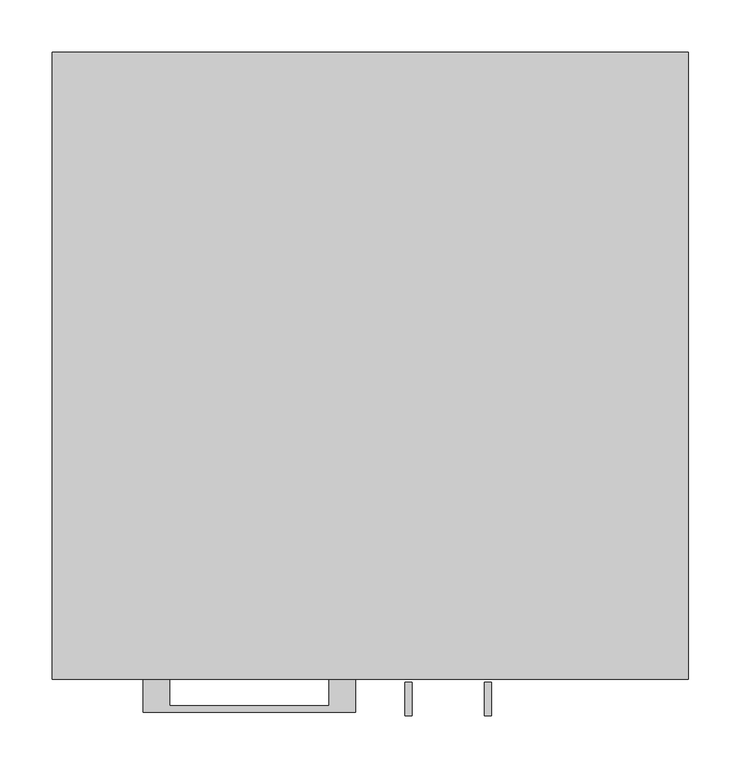
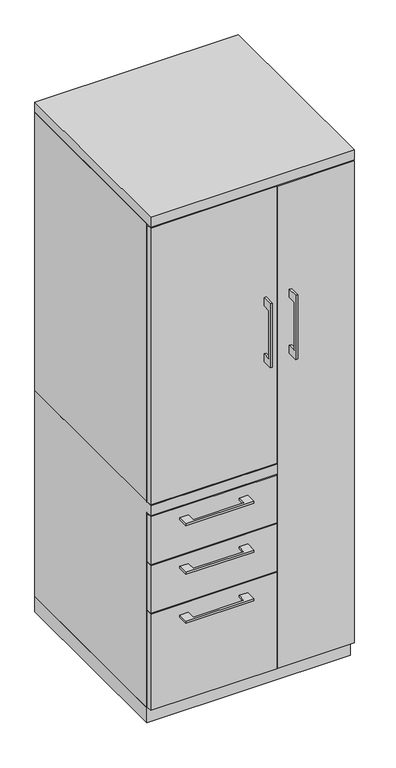
"""IFC4 building model written with IfcOpenShell, lengths in millimetres: furniture geometry."""

import ifcopenshell
import ifcopenshell.guid

model = None  # the IFC model being written
_history = None  # IfcOwnerHistory: only IFC2X3 demands one
_inside = {}  # id of a spatial element -> (the spatial element, [elements in it])
_under = {}  # id of a project, library or spatial element -> (it, [spatial elements below it])
_declared = {}  # id of a project -> (the project, [libraries it declares])
_typed = {}  # id of a type object -> (the type object, [elements of that type])
_made_of = {}  # id of a material, layer set ... -> (it, [elements and type objects made of it])


def new_model(schema):
    """Start an empty IFC model of exactly this schema.

    Asked for "IFC4X3", IfcOpenShell would pick the latest addendum, in which some entities
    have other attributes; the version numbers below select the first issue.
    IFC2X3 requires an IfcOwnerHistory on every rooted entity: one is made here for all.
    """
    global model, _history
    if schema == "IFC4X3":
        model = ifcopenshell.file(schema_version=(4, 3, 0, 0))
    else:
        model = ifcopenshell.file(schema=schema)
    _inside.clear()
    _under.clear()
    _declared.clear()
    _typed.clear()
    _made_of.clear()
    _history = None
    if model.schema == "IFC2X3":
        org = make("IfcOrganization", Name="unknown")
        user = make(
            "IfcPersonAndOrganization",
            ThePerson=make("IfcPerson", FamilyName="unknown"),
            TheOrganization=org,
        )
        app = make(
            "IfcApplication",
            ApplicationDeveloper=org,
            Version="unknown",
            ApplicationFullName="unknown",
            ApplicationIdentifier="unknown",
        )
        _history = make(
            "IfcOwnerHistory",
            OwningUser=user,
            OwningApplication=app,
            ChangeAction="ADDED",
            CreationDate=0,
        )
    return model


def make(cls, **values):
    """One entity of the class cls with the attributes given. An attribute that is None is left unset."""
    return model.create_entity(
        cls, **{name: value for name, value in values.items() if value is not None}
    )


def rooted(cls, **values):
    """An entity with a GlobalId (a new one), such as an element, a storey or a relation."""
    return make(cls, GlobalId=ifcopenshell.guid.new(), OwnerHistory=_history, **values)


def si_unit(unit_type, name, prefix=None):
    """IfcSIUnit, for example si_unit("LENGTHUNIT", "METRE", prefix="MILLI")."""
    return make("IfcSIUnit", UnitType=unit_type, Prefix=prefix, Name=name)


def assignment(units):
    """IfcUnitAssignment: the units of a project."""
    return None if units is None else make("IfcUnitAssignment", Units=units)


def point(xyz):
    """IfcCartesianPoint."""
    return None if xyz is None else make("IfcCartesianPoint", Coordinates=xyz)


def direction(xyz):
    """IfcDirection."""
    return None if xyz is None else make("IfcDirection", DirectionRatios=xyz)


def frame(location, z_axis=None, x_axis=None):
    """IfcAxis2Placement3D, a coordinate frame: its origin and axes. An axis left out is left unset."""
    return make(
        "IfcAxis2Placement3D",
        Location=point(location),
        Axis=direction(z_axis),
        RefDirection=direction(x_axis),
    )


def origin():
    """The frame at (0, 0, 0) with its axes left unset."""
    return frame((0.0, 0.0, 0.0))


def origin_with_axes():
    """The frame at (0, 0, 0) with the z axis (0, 0, 1) and the x axis (1, 0, 0) written out."""
    return frame((0.0, 0.0, 0.0), z_axis=(0.0, 0.0, 1.0), x_axis=(1.0, 0.0, 0.0))


def place(relative_to, where):
    """IfcLocalPlacement: puts the frame where relative to a parent placement (None: the world)."""
    return make(
        "IfcLocalPlacement", PlacementRelTo=relative_to, RelativePlacement=where
    )


def context(
    kind, dimensions, precision=None, world=None, true_north=None, identifier=None
):
    """IfcGeometricRepresentationContext, for example the 3D "Model" context."""
    return make(
        "IfcGeometricRepresentationContext",
        ContextIdentifier=identifier,
        ContextType=kind,
        CoordinateSpaceDimension=dimensions,
        Precision=precision,
        WorldCoordinateSystem=world,
        TrueNorth=true_north,
    )


def project(units=None, contexts=None):
    """IfcProject with its units and contexts."""
    return rooted(
        "IfcProject",
        Name="project",
        RepresentationContexts=contexts,
        UnitsInContext=assignment(units),
    )


def spatial(cls, under=None, at=None, **own):
    """A site, building, storey or space (cls), placed at a placement, below another one or the project."""
    s = rooted(cls, ObjectPlacement=at, **own)
    if under is not None:
        _under.setdefault(under.id(), (under, []))[1].append(s)
    return s


def polyline(points):
    """IfcPolyline through the points."""
    return make("IfcPolyline", Points=[point(p) for p in points])


def outline(outer, holes=None, kind="AREA"):
    """IfcArbitraryClosedProfileDef: a profile drawn as a closed curve; with holes, ...WithVoids."""
    if holes is None:
        return make("IfcArbitraryClosedProfileDef", ProfileType=kind, OuterCurve=outer)
    return make(
        "IfcArbitraryProfileDefWithVoids",
        ProfileType=kind,
        OuterCurve=outer,
        InnerCurves=holes,
    )


def extrude(swept, where, along, depth):
    """IfcExtrudedAreaSolid: the profile swept, set in the frame where, extruded along a direction by depth."""
    return make(
        "IfcExtrudedAreaSolid",
        SweptArea=swept,
        Position=where,
        ExtrudedDirection=direction(along),
        Depth=depth,
    )


def faces_of(points, faces, orient=None, outer=None):
    """IfcFace entities. A face is a list of loops; a loop is a list of indices into points, from 0.

    orient and outer hold one flag for each loop. By default every Orientation is true, the
    first loop of a face is its IfcFaceOuterBound and the others are IfcFaceBound.
    """
    made = []
    for i, loops in enumerate(faces):
        bounds = []
        for j, loop in enumerate(loops):
            is_outer = j == 0 if outer is None else outer[i][j]
            bounds.append(
                make(
                    "IfcFaceOuterBound" if is_outer else "IfcFaceBound",
                    Bound=make("IfcPolyLoop", Polygon=[points[k] for k in loop]),
                    Orientation=True if orient is None else orient[i][j],
                )
            )
        made.append(make("IfcFace", Bounds=bounds))
    return made


def faceted_brep(points, faces, orient=None, outer=None, voids=None):
    """IfcFacetedBrep: a solid bounded by flat faces; with voids (closed shells), ...WithVoids."""
    shared = [point(p) for p in points]
    hull = make("IfcClosedShell", CfsFaces=faces_of(shared, faces, orient, outer))
    if voids is None:
        return make("IfcFacetedBrep", Outer=hull)
    return make(
        "IfcFacetedBrepWithVoids",
        Outer=hull,
        Voids=[
            make(cls, CfsFaces=faces_of(shared, fs, o, b)) for cls, fs, o, b in voids
        ],
    )


def shape(context_of_items, identifier, shape_type, items):
    """IfcShapeRepresentation: the items that make up one representation, for example the "Body"."""
    return make(
        "IfcShapeRepresentation",
        ContextOfItems=context_of_items,
        RepresentationIdentifier=identifier,
        RepresentationType=shape_type,
        Items=items,
    )


def source(mapping_origin, context_of_items, identifier, shape_type, items):
    """IfcRepresentationMap: a shape defined once, which mapped items show again and again."""
    return make(
        "IfcRepresentationMap",
        MappingOrigin=mapping_origin,
        MappedRepresentation=shape(context_of_items, identifier, shape_type, items),
    )


def transform(
    local_origin,
    x_axis=None,
    y_axis=None,
    z_axis=None,
    scale=None,
    scale2=None,
    scale3=None,
    uniform=True,
):
    """IfcCartesianTransformationOperator3D, or its non-uniform kind. x_axis, y_axis, z_axis: its Axis1, 2, 3."""
    if uniform:
        return make(
            "IfcCartesianTransformationOperator3D",
            Axis1=direction(x_axis),
            Axis2=direction(y_axis),
            LocalOrigin=point(local_origin),
            Scale=scale,
            Axis3=direction(z_axis),
        )
    return make(
        "IfcCartesianTransformationOperator3DnonUniform",
        Axis1=direction(x_axis),
        Axis2=direction(y_axis),
        LocalOrigin=point(local_origin),
        Scale=scale,
        Axis3=direction(z_axis),
        Scale2=scale2,
        Scale3=scale3,
    )


def mapped(mapping_source, mapping_target):
    """IfcMappedItem: shows the shape of a source again, moved by a transform."""
    return make(
        "IfcMappedItem", MappingSource=mapping_source, MappingTarget=mapping_target
    )


def made_of(thing, what):
    """Note that an element or type object is made of a material, layer set ...; save() writes the relation."""
    if what is not None:
        _made_of.setdefault(what.id(), (what, []))[1].append(thing)
    return thing


def element(
    cls,
    number,
    at=None,
    inside=None,
    cuts=None,
    type_object=None,
    material=None,
    context=None,
    identifier="Body",
    shape_type=None,
    held_by="IfcProductDefinitionShape",
    body=None,
    shapes=None,
    **own,
):
    """One element of the class cls, such as IfcWall. Its Tag is "e" and its number.

    at: its placement. inside: the storey or other place that contains it. cuts: it is an
    opening in that element (IfcRelVoidsElement). A single representation is given by context,
    identifier, shape_type and body (its items); several are given by shapes. held_by: the class
    of the entity that holds the representations. save() writes the other relations.
    """
    e = rooted(cls, Tag="e%d" % number, ObjectPlacement=at, **own)
    if body is not None:
        shapes = [shape(context, identifier, shape_type, body)]
    if shapes is not None:
        e.Representation = make(held_by, Representations=shapes)
    if inside is not None:
        _inside.setdefault(inside.id(), (inside, []))[1].append(e)
    if cuts is not None:
        rooted(
            "IfcRelVoidsElement", RelatingBuildingElement=cuts, RelatedOpeningElement=e
        )
    if type_object is not None:
        _typed.setdefault(type_object.id(), (type_object, []))[1].append(e)
    return made_of(e, material)


def aggregate(whole, parts):
    """IfcRelAggregates: a whole, such as a stair, and the parts it consists of."""
    return rooted("IfcRelAggregates", RelatingObject=whole, RelatedObjects=parts)


def save(model, path):
    """Write the relations noted so far, then the file.

    IfcRelAggregates (storeys below a building ...), IfcRelContainedInSpatialStructure (elements
    in a storey), IfcRelDefinesByType, IfcRelAssociatesMaterial and IfcRelDeclares: one each for
    every whole, place, type object, material and project.
    """
    for whole, parts in _under.values():
        aggregate(whole, parts)
    for where, things in _inside.values():
        rooted(
            "IfcRelContainedInSpatialStructure",
            RelatedElements=things,
            RelatingStructure=where,
        )
    for kind, things in _typed.values():
        rooted("IfcRelDefinesByType", RelatedObjects=things, RelatingType=kind)
    for what, things in _made_of.values():
        rooted("IfcRelAssociatesMaterial", RelatedObjects=things, RelatingMaterial=what)
    for by, libraries in _declared.values():
        rooted("IfcRelDeclares", RelatingContext=by, RelatedDefinitions=libraries)
    model.write(path)


def furniture_66533232(model_context):
    return source(origin(), model_context, "Body", "SolidModel", [
        extrude(outline(polyline([(-192.0874818, -600.075), (-192.0874818, -625.4749758), (-39.6875, -625.4749758), (-39.6875, -600.075), (-14.2875061, -600.075), (-14.2875061, -631.8249879), (-217.4874939, -631.8249879), (-217.4874939, -600.075), (-192.0874818, -600.075)])), frame((0.0, 0.0, 623.8875506), z_axis=(0.0, 0.0, 1.0), x_axis=(1.0, 0.0, 0.0)), (0.0, 0.0, 1.0), 6.3499758),
        extrude(outline(polyline([(73.025, -581.025), (73.025, -600.075), (-304.8, -600.075), (-304.8, -581.025), (73.025, -581.025)])), frame((0.0, 0.0, 512.7625), z_axis=(0.0, 0.0, 1.0), x_axis=(1.0, 0.0, 0.0)), (0.0, 0.0, 1.0), 150.8125),
        extrude(outline(polyline([(-603.25, 1216.025), (-628.6499758, 1216.025), (-628.6499758, 1063.625), (-603.25, 1063.625), (-603.25, 1038.225), (-634.9999879, 1038.225), (-634.9999879, 1241.425), (-603.25, 1241.425), (-603.25, 1216.025)])), frame((33.3375121, 0.0, 0.0), z_axis=(1.0, 0.0, 0.0), x_axis=(0.0, 1.0, 0.0)), (0.0, 0.0, 1.0), 6.3499758),
        extrude(outline(polyline([(-304.8, -600.075), (-304.8, -581.025), (73.025, -581.025), (73.025, -600.075), (-304.8, -600.075)])), frame((0.0, 0.0, 701.675), z_axis=(0.0, 0.0, 1.0), x_axis=(1.0, 0.0, 0.0)), (0.0, 0.0, 1.0), 876.3),
        extrude(outline(polyline([(-192.0874818, -600.075), (-192.0874818, -625.4749758), (-39.6875, -625.4749758), (-39.6875, -600.075), (-14.2875061, -600.075), (-14.2875061, -631.8249879), (-217.4874939, -631.8249879), (-217.4874939, -600.075), (-192.0874818, -600.075)])), frame((0.0, 0.0, 469.9000506), z_axis=(0.0, 0.0, 1.0), x_axis=(1.0, 0.0, 0.0)), (0.0, 0.0, 1.0), 6.3499758),
        extrude(outline(polyline([(73.025, -581.025), (73.025, -600.075), (-304.8, -600.075), (-304.8, -581.025), (73.025, -581.025)])), frame((0.0, 0.0, 358.775), z_axis=(0.0, 0.0, 1.0), x_axis=(1.0, 0.0, 0.0)), (0.0, 0.0, 1.0), 150.8125),
        extrude(outline(polyline([(-603.25, 1216.025), (-628.6499758, 1216.025), (-628.6499758, 1063.625), (-603.25, 1063.625), (-603.25, 1038.225), (-634.9999879, 1038.225), (-634.9999879, 1241.425), (-603.25, 1241.425), (-603.25, 1216.025)])), frame((109.5375121, 0.0, 0.0), z_axis=(1.0, 0.0, 0.0), x_axis=(0.0, 1.0, 0.0)), (0.0, 0.0, 1.0), 6.3499758),
        extrude(outline(polyline([(304.8, -600.075), (76.2, -600.075), (76.2, -581.025), (304.8, -581.025), (304.8, -600.075)])), frame((0.0, 0.0, 50.8), z_axis=(0.0, 0.0, 1.0), x_axis=(1.0, 0.0, 0.0)), (0.0, 0.0, 1.0), 1527.175),
        extrude(outline(polyline([(-192.0874818, -600.075), (-192.0874818, -625.4749758), (-39.6875, -625.4749758), (-39.6875, -600.075), (-14.2875061, -600.075), (-14.2875061, -631.8249879), (-217.4874939, -631.8249879), (-217.4874939, -600.075), (-192.0874818, -600.075)])), frame((0.0, 0.0, 315.9125506), z_axis=(0.0, 0.0, 1.0), x_axis=(1.0, 0.0, 0.0)), (0.0, 0.0, 1.0), 6.3499758),
        extrude(outline(polyline([(73.025, -581.025), (73.025, -600.075), (-304.8, -600.075), (-304.8, -581.025), (73.025, -581.025)])), frame((0.0, 0.0, 50.8), z_axis=(0.0, 0.0, 1.0), x_axis=(1.0, 0.0, 0.0)), (0.0, 0.0, 1.0), 304.8),
        faceted_brep([(-304.8, -581.025, 47.625), (-304.8, 0.0, 47.625), (76.2, 0.0, 47.625), (76.2, -581.025, 47.625), (-304.8, 0.0, 698.5), (76.2, 0.0, 698.5), (-304.8, -581.025, 666.75), (-304.8, -600.075, 666.75), (-304.8, -600.075, 698.5), (76.2, -581.025, 666.75), (57.15, -581.025, 666.75), (76.2, -581.025, 1581.15), (57.15, -581.025, 1581.15), (57.15, -581.025, 698.5), (76.2, -581.025, 698.5), (76.2, -19.05, 698.5), (76.2, -19.05, 1581.15), (76.2, -600.075, 698.5), (76.2, -600.075, 666.75), (57.15, -19.05, 1581.15), (57.15, -19.05, 698.5)], [[[0, 1, 2, 3]], [[2, 1, 4, 5]], [[4, 1, 0, 6, 7, 8]], [[6, 0, 3, 9, 10]], [[11, 12, 13, 14]], [[2, 5, 15, 16, 11, 14, 17, 18, 9, 3]], [[16, 19, 12, 11]], [[19, 16, 15, 20]], [[12, 19, 20, 13]], [[5, 4, 8, 17, 14, 13, 20, 15]], [[18, 7, 6, 10, 9]], [[17, 8, 7, 18]]]),
        extrude(outline(polyline([(76.2, 0.0), (76.2, -19.05), (-285.75, -19.05), (-285.75, -581.025), (-304.8, -581.025), (-304.8, 0.0), (76.2, 0.0)])), frame((0.0, 0.0, 698.5), z_axis=(0.0, 0.0, 1.0), x_axis=(1.0, 0.0, 0.0)), (0.0, 0.0, 1.0), 882.65),
        extrude(outline(polyline([(304.8, 0.0), (304.8, -581.025), (285.75, -581.025), (285.75, -19.05), (76.2, -19.05), (76.2, 0.0), (304.8, 0.0)])), frame((0.0, 0.0, 47.625), z_axis=(0.0, 0.0, 1.0), x_axis=(1.0, 0.0, 0.0)), (0.0, 0.0, 1.0), 1533.525),
        extrude(outline(polyline([(304.8, 0.0), (304.8, -600.075), (-304.8, -600.075), (-304.8, 0.0), (304.8, 0.0)])), frame((0.0, 0.0, 1581.15), z_axis=(0.0, 0.0, 1.0), x_axis=(1.0, 0.0, 0.0)), (0.0, 0.0, 1.0), 31.75),
        extrude(outline(polyline([(304.8, 0.0), (304.8, -581.025), (-304.8, -581.025), (-304.8, 0.0), (304.8, 0.0)])), origin_with_axes(), (0.0, 0.0, 1.0), 47.625),
    ])


if __name__ == "__main__":
    model = new_model("IFC4")
    model_context = context("Model", 3, world=origin())
    ifc_project = project(units=[si_unit("LENGTHUNIT", "METRE", prefix="MILLI")], contexts=[model_context])
    site = spatial("IfcSite", under=ifc_project)
    building = spatial("IfcBuilding", under=site)
    placement = place(None, origin())
    furniture_shape = furniture_66533232(model_context)
    element("IfcFurniture", 1, at=placement, inside=building, context=model_context, shape_type="MappedRepresentation", body=[
        mapped(furniture_shape, transform((0.0, 0.0, 0.0), x_axis=(1.0, 0.0, 0.0), y_axis=(0.0, 1.0, 0.0), z_axis=(0.0, 0.0, 1.0))),
    ])
    save(model, "model.ifc")
